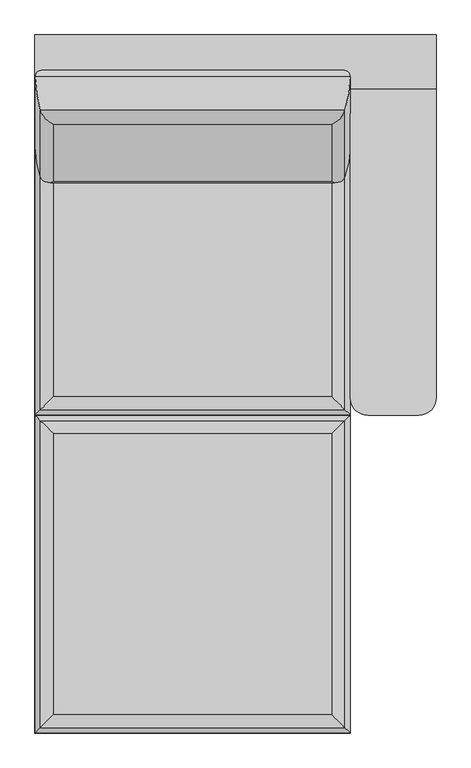
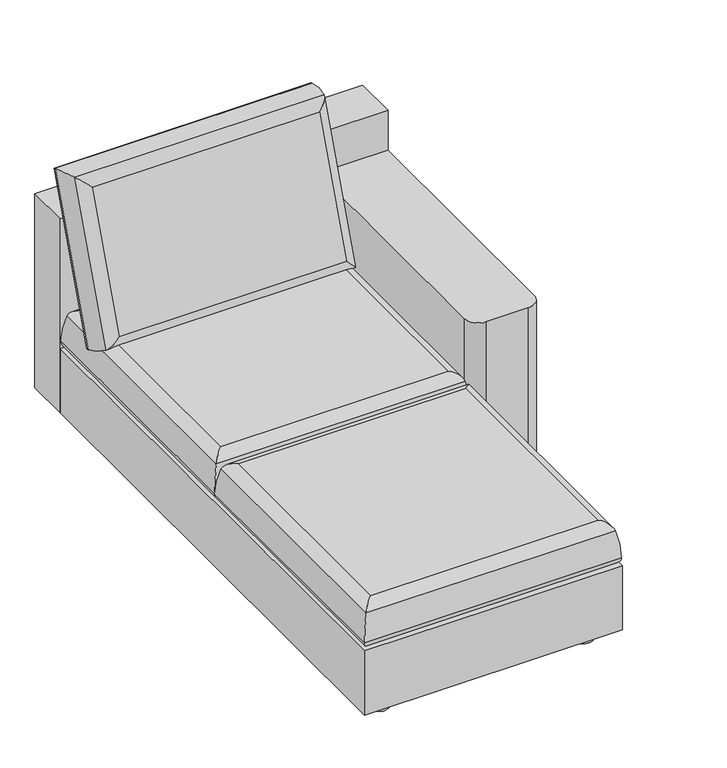
"""IFC4 building model written with IfcOpenShell, lengths in millimetres: furniture geometry."""

from ifc_helpers import new_model, si_unit, point, frame, frame_2d, origin, origin_with_axes, place, context, project, spatial, polyline, circle_curve, ellipse_curve, trimmed, segment, composite_curve, outline, extrude, source, transform, mapped, element, save
from ifc_brep_helpers import plane_surface, cylinder_surface, advanced_brep


def furniture_7a223dae(model_context):
    return source(origin(), model_context, "Body", "SolidModel", [
        advanced_brep(
        [(3120.343919, -233.5399869, 276.225), (2354.2175779, -233.5399869, 276.225), (2354.2175779, 538.9363542, 276.225), (3120.343919, 538.9363542, 276.225), (3132.7157614, 551.3081966, 389.5362358), (3099.2307485, 517.8231837, 415.925), (3099.2307485, -212.4268163, 415.925), (3132.7157614, -245.9118293, 389.5362358), (2375.3307485, -212.4268163, 415.925), (2341.8457355, -245.9118293, 389.5362358), (2375.3307485, 517.8231837, 415.925), (2341.8457355, 551.3081966, 389.5362358), (3145.7419387, -258.9380066, 301.9421647), (3145.7419387, 564.3343739, 301.9421647), (2328.8195582, -258.9380066, 301.9421647), (2328.8195582, 564.3343739, 301.9421647)],
        [
            (0, 1),
            (1, 2),
            (2, 3),
            (3, 0),
            (4, 5, ellipse_curve(frame((3097.5147056, 516.1071408, 379.3083478), z_axis=(0.7071067811865475, -0.7071067811865475, 0.0), x_axis=(0.7071067811865474, 0.7071067811865476, 0.0)), 51.8406023, 36.6568414)),
            (5, 6),
            (6, 7, ellipse_curve(frame((3097.5147056, -210.7107735, 379.3083478), z_axis=(0.7071067811865475, 0.7071067811865475, 0.0), x_axis=(-0.7071067811865474, 0.7071067811865476, 0.0)), 51.8406023, 36.6568414)),
            (7, 4),
            (6, 8),
            (8, 9, ellipse_curve(frame((2377.0467913, -210.7107735, 379.3083478), z_axis=(0.7071067811865475, -0.7071067811865475, 0.0), x_axis=(0.7071067811865476, 0.7071067811865474, 0.0)), 51.8406023, 36.6568414)),
            (9, 7),
            (8, 10),
            (10, 11, ellipse_curve(frame((2377.0467913, 516.1071408, 379.3083478), z_axis=(-0.7071067811865475, -0.7071067811865475, 0.0), x_axis=(0.7071067811865474, -0.7071067811865476, 0.0)), 51.8406023, 36.6568414)),
            (11, 9),
            (4, 11),
            (10, 5),
            (7, 12, ellipse_curve(frame((2817.121816, 69.6821162, 297.8384315), z_axis=(0.7071067811865475, 0.7071067811865475, 0.0), x_axis=(-0.7071067811865474, 0.7071067811865476, 0.0)), 464.7752698, 328.645745)),
            (12, 13),
            (13, 4, ellipse_curve(frame((2817.121816, 235.7142512, 297.8384315), z_axis=(0.7071067811865475, -0.7071067811865475, 0.0), x_axis=(0.7071067811865474, 0.7071067811865476, 0.0)), 464.7752698, 328.645745)),
            (9, 14, ellipse_curve(frame((2657.439681, 69.6821162, 297.8384315), z_axis=(0.7071067811865475, -0.7071067811865475, 0.0), x_axis=(0.7071067811865476, 0.7071067811865474, 0.0)), 464.7752698, 328.645745)),
            (14, 12),
            (11, 15, ellipse_curve(frame((2657.439681, 235.7142512, 297.8384315), z_axis=(-0.7071067811865475, -0.7071067811865475, 0.0), x_axis=(0.7071067811865474, -0.7071067811865476, 0.0)), 464.7752698, 328.645745)),
            (15, 14),
            (13, 15),
            (3, 13, ellipse_curve(frame((3120.343919, 538.9363542, 301.625), z_axis=(0.7071067811865475, -0.7071067811865475, 0.0), x_axis=(0.7071067811865474, 0.7071067811865476, 0.0)), 35.9210245, 25.4)),
            (12, 0, ellipse_curve(frame((3120.343919, -233.5399869, 301.625), z_axis=(0.7071067811865475, 0.7071067811865475, 0.0), x_axis=(-0.7071067811865474, 0.7071067811865476, 0.0)), 35.9210245, 25.4)),
            (14, 1, ellipse_curve(frame((2354.2175779, -233.5399869, 301.625), z_axis=(0.7071067811865475, -0.7071067811865475, 0.0), x_axis=(0.7071067811865476, 0.7071067811865474, 0.0)), 35.9210245, 25.4)),
            (15, 2, ellipse_curve(frame((2354.2175779, 538.9363542, 301.625), z_axis=(-0.7071067811865475, -0.7071067811865475, 0.0), x_axis=(0.7071067811865474, -0.7071067811865476, 0.0)), 35.9210245, 25.4)),
        ],
        [
            plane_surface(frame((2354.2175779, 538.9363542, 276.225), z_axis=(0.0, 0.0, -1.0), x_axis=(1.0, 0.0, 0.0))),
            cylinder_surface(frame((3097.5147056, 565.4481837, 379.3083478), z_axis=(0.0, 1.0, 0.0), x_axis=(1.0, 0.0, 0.0)), 36.6568414),
            cylinder_surface(frame((3146.8557485, -210.7107735, 379.3083478), z_axis=(1.0, 0.0, 0.0), x_axis=(0.0, -1.0, 0.0)), 36.6568414),
            cylinder_surface(frame((2377.0467913, -260.0518163, 379.3083478), z_axis=(0.0, -1.0, 0.0), x_axis=(-1.0, 0.0, 0.0)), 36.6568414),
            cylinder_surface(frame((2327.7057485, 516.1071408, 379.3083478), z_axis=(-1.0, 0.0, 0.0), x_axis=(0.0, 1.0, 0.0)), 36.6568414),
            cylinder_surface(frame((2817.121816, 565.4481837, 297.8384315), z_axis=(0.0, 1.0, 0.0), x_axis=(1.0, 0.0, 0.0)), 328.645745),
            cylinder_surface(frame((3146.8557485, 69.6821162, 297.8384315), z_axis=(1.0, 0.0, 0.0), x_axis=(0.0, -1.0, 0.0)), 328.645745),
            cylinder_surface(frame((2657.439681, -260.0518163, 297.8384315), z_axis=(0.0, -1.0, 0.0), x_axis=(-1.0, 0.0, 0.0)), 328.645745),
            cylinder_surface(frame((2327.7057485, 235.7142512, 297.8384315), z_axis=(-1.0, 0.0, 0.0), x_axis=(0.0, 1.0, 0.0)), 328.645745),
            cylinder_surface(frame((3120.343919, 565.4481837, 301.625), z_axis=(0.0, 1.0, 0.0), x_axis=(1.0, 0.0, 0.0)), 25.4),
            cylinder_surface(frame((3146.8557485, -233.5399869, 301.625), z_axis=(1.0, 0.0, 0.0), x_axis=(0.0, -1.0, 0.0)), 25.4),
            cylinder_surface(frame((2354.2175779, -260.0518163, 301.625), z_axis=(0.0, -1.0, 0.0), x_axis=(-1.0, 0.0, 0.0)), 25.4),
            cylinder_surface(frame((2327.7057485, 538.9363542, 301.625), z_axis=(-1.0, 0.0, 0.0), x_axis=(0.0, 1.0, 0.0)), 25.4),
            plane_surface(frame((2375.3307485, 517.8231837, 415.925), z_axis=(0.0, 0.0, 1.0), x_axis=(-1.0, 0.0, 0.0))),
        ],
        [
            (0, [[1, 2, 3, 4]]),
            (1, [[5, 6, 7, 8]]),
            (2, [[-7, 9, 10, 11]]),
            (3, [[-10, 12, 13, 14]]),
            (4, [[-5, 15, -13, 16]]),
            (5, [[-8, 17, 18, 19]]),
            (6, [[-11, 20, 21, -17]]),
            (7, [[-14, 22, 23, -20]]),
            (8, [[-15, -19, 24, -22]]),
            (9, [[-4, 25, -18, 26]]),
            (10, [[-1, -26, -21, 27]]),
            (11, [[-2, -27, -23, 28]]),
            (12, [[-3, -28, -24, -25]]),
            (13, [[-6, -16, -12, -9]]),
        ],
    ),
        extrude(outline(composite_curve([segment(polyline([(3369.1057485, 1412.7926138), (3369.1057485, 609.5176138)]), True, "CONTINUOUS"), segment(trimmed(circle_curve(frame_2d((3324.6557485, 609.5176138)), 44.45), [point((3369.1057485, 609.5176138))], [point((3324.6557485, 565.0676138))], False, "CARTESIAN"), True, "CONTINUOUS"), segment(polyline([(3324.6557485, 565.0676138), (3191.3057485, 565.0676138)]), True, "CONTINUOUS"), segment(trimmed(circle_curve(frame_2d((3191.3057485, 609.5176138)), 44.45), [point((3191.3057485, 565.0676138))], [point((3146.8557485, 609.5176138))], False, "CARTESIAN"), True, "CONTINUOUS"), segment(polyline([(3146.8557485, 609.5176138), (3146.8557485, 1412.7926138), (3369.1057485, 1412.7926138)]), True, "CONTINUOUS")], self_intersect=False)), frame((0.0, 0.0, 60.325), z_axis=(0.0, 0.0, 1.0), x_axis=(1.0, 0.0, 0.0)), (0.0, 0.0, 1.0), 517.525),
        extrude(outline(composite_curve([segment(trimmed(circle_curve(frame_2d((2848.7295236, -11164.1120182)), 12727.0721967), [point((2327.7057485, 1552.2908114))], [point((3369.1057485, 1552.3173267))], False, "CARTESIAN"), True, "CONTINUOUS"), segment(polyline([(3369.1057485, 1552.3173267), (3369.1057485, 1413.1731837), (2327.7057485, 1413.1731837), (2327.7057485, 1552.2908114)]), True, "CONTINUOUS")], self_intersect=False)), frame((0.0, 0.0, 60.325), z_axis=(0.0, 0.0, 1.0), x_axis=(1.0, 0.0, 0.0)), (0.0, 0.0, 1.0), 650.875),
        advanced_brep(
        [(3120.343919, 1294.7666183, 377.9035736), (2354.2175779, 1294.7666183, 377.9035736), (2354.2175779, 1459.0650033, 829.3096765), (3120.343919, 1459.0650033, 829.3096765), (3132.7157614, 1356.8186905, 879.6901306), (3099.2307485, 1320.5688146, 857.25), (3099.2307485, 1170.7126888, 445.5236782), (3132.7157614, 1184.0574669, 405.0325697), (2375.3307485, 1170.7126888, 445.5236782), (2341.8457355, 1184.0574669, 405.0325697), (2375.3307485, 1320.5688146, 857.25), (2341.8457355, 1356.8186905, 879.6901306), (3145.7419387, 1261.9137541, 362.8330302), (3145.7419387, 1443.5854078, 861.9717966), (2328.8195582, 1261.9137541, 362.8330302), (2328.8195582, 1443.5854078, 861.9717966)],
        [
            (0, 1),
            (1, 2),
            (2, 3),
            (3, 0),
            (4, 5, ellipse_curve(frame((3097.5147056, 1354.3902913, 843.1138145), z_axis=(0.7071067811865477, -0.24184476264798005, -0.6644630243886728), x_axis=(0.7071067811865474, 0.24184476264798002, 0.664463024388673)), 51.8406023, 36.6568414)),
            (5, 6),
            (6, 7, ellipse_curve(frame((3097.5147056, 1205.7080079, 434.6125984), z_axis=(0.7071067811865472, 0.24184476264798022, 0.6644630243886732), x_axis=(-0.7071067811865479, 0.2418447626479799, 0.6644630243886727)), 51.8406023, 36.6568414)),
            (7, 4),
            (6, 8),
            (8, 9, ellipse_curve(frame((2377.0467913, 1205.7080079, 434.6125984), z_axis=(0.7071067811865477, -0.24184476264797994, -0.6644630243886728), x_axis=(0.7071067811865474, 0.24184476264798013, 0.6644630243886731)), 51.8406023, 36.6568414)),
            (9, 7),
            (8, 10),
            (10, 11, ellipse_curve(frame((2377.0467913, 1354.3902913, 843.1138145), z_axis=(-0.7071067811865474, -0.24184476264798002, -0.6644630243886731), x_axis=(0.7071067811865476, -0.24184476264798002, -0.6644630243886728)), 51.8406023, 36.6568414)),
            (11, 9),
            (4, 11),
            (10, 5),
            (7, 12, ellipse_curve(frame((2817.121816, 1378.1647034, 670.2313752), z_axis=(0.7071067811865472, 0.24184476264798022, 0.6644630243886732), x_axis=(-0.7071067811865479, 0.2418447626479799, 0.6644630243886727)), 464.7752698, 328.645745)),
            (12, 13),
            (13, 4, ellipse_curve(frame((2817.121816, 1335.0469541, 551.7663328), z_axis=(0.7071067811865477, -0.24184476264798005, -0.6644630243886728), x_axis=(0.7071067811865474, 0.24184476264798002, 0.664463024388673)), 464.7752698, 328.645745)),
            (9, 14, ellipse_curve(frame((2657.439681, 1378.1647034, 670.2313752), z_axis=(0.7071067811865477, -0.24184476264797994, -0.6644630243886728), x_axis=(0.7071067811865474, 0.24184476264798013, 0.6644630243886731)), 464.7752698, 328.645745)),
            (14, 12),
            (11, 15, ellipse_curve(frame((2657.439681, 1335.0469541, 551.7663328), z_axis=(-0.7071067811865474, -0.24184476264798002, -0.6644630243886731), x_axis=(0.7071067811865476, -0.24184476264798002, -0.6644630243886728)), 464.7752698, 328.645745)),
            (15, 14),
            (13, 15),
            (3, 13, ellipse_curve(frame((3120.343919, 1435.1968108, 837.9969882), z_axis=(0.7071067811865477, -0.24184476264798005, -0.6644630243886728), x_axis=(0.7071067811865474, 0.24184476264798002, 0.664463024388673)), 35.9210245, 25.4)),
            (12, 0, ellipse_curve(frame((3120.343919, 1270.8984257, 386.5908853), z_axis=(0.7071067811865472, 0.24184476264798022, 0.6644630243886732), x_axis=(-0.7071067811865479, 0.2418447626479799, 0.6644630243886727)), 35.9210245, 25.4)),
            (14, 1, ellipse_curve(frame((2354.2175779, 1270.8984257, 386.5908853), z_axis=(0.7071067811865477, -0.24184476264797994, -0.6644630243886728), x_axis=(0.7071067811865474, 0.24184476264798013, 0.6644630243886731)), 35.9210245, 25.4)),
            (15, 2, ellipse_curve(frame((2354.2175779, 1435.1968108, 837.9969882), z_axis=(-0.7071067811865474, -0.24184476264798002, -0.6644630243886731), x_axis=(0.7071067811865476, -0.24184476264798002, -0.6644630243886728)), 35.9210245, 25.4)),
        ],
        [
            plane_surface(frame((2354.2175779, 1459.0650033, 829.3096765), z_axis=(0.0, 0.939692620785906, -0.34202014332567565), x_axis=(1.0, 0.0, 0.0))),
            cylinder_surface(frame((3097.5147056, 1371.2659218, 889.4792284), z_axis=(0.0, 0.34202014332567554, 0.9396926207859059), x_axis=(1.0, 0.0, 0.0)), 36.6568414),
            cylinder_surface(frame((3146.8557485, 1205.7080079, 434.6125984), z_axis=(1.0, 0.0, 0.0), x_axis=(0.0, -0.3420201433256756, -0.939692620785906)), 36.6568414),
            cylinder_surface(frame((2377.0467913, 1188.8323774, 388.2471845), z_axis=(0.0, -0.3420201433256755, -0.939692620785906), x_axis=(-1.0, 0.0, 0.0)), 36.6568414),
            cylinder_surface(frame((2327.7057485, 1354.3902913, 843.1138145), z_axis=(-1.0, 0.0, 0.0), x_axis=(0.0, 0.3420201433256756, 0.939692620785906)), 36.6568414),
            cylinder_surface(frame((2817.121816, 1447.822601, 861.614876), z_axis=(0.0, 0.34202014332567554, 0.9396926207859059), x_axis=(1.0, 0.0, 0.0)), 328.645745),
            cylinder_surface(frame((3146.8557485, 1378.1647034, 670.2313752), z_axis=(1.0, 0.0, 0.0), x_axis=(0.0, -0.3420201433256756, -0.939692620785906)), 328.645745),
            cylinder_surface(frame((2657.439681, 1265.3890566, 360.382832), z_axis=(0.0, -0.3420201433256755, -0.939692620785906), x_axis=(-1.0, 0.0, 0.0)), 328.645745),
            cylinder_surface(frame((2327.7057485, 1335.0469541, 551.7663328), z_axis=(-1.0, 0.0, 0.0), x_axis=(0.0, 0.3420201433256756, 0.939692620785906)), 328.645745),
            cylinder_surface(frame((3120.343919, 1444.2643905, 862.9099587), z_axis=(0.0, 0.34202014332567554, 0.9396926207859059), x_axis=(1.0, 0.0, 0.0)), 25.4),
            cylinder_surface(frame((3146.8557485, 1270.8984257, 386.5908853), z_axis=(1.0, 0.0, 0.0), x_axis=(0.0, -0.3420201433256756, -0.939692620785906)), 25.4),
            cylinder_surface(frame((2354.2175779, 1261.830846, 361.6779148), z_axis=(0.0, -0.3420201433256755, -0.939692620785906), x_axis=(-1.0, 0.0, 0.0)), 25.4),
            cylinder_surface(frame((2327.7057485, 1435.1968108, 837.9969882), z_axis=(-1.0, 0.0, 0.0), x_axis=(0.0, 0.3420201433256756, 0.939692620785906)), 25.4),
            plane_surface(frame((2375.3307485, 1320.5688146, 857.25), z_axis=(0.0, -0.939692620785906, 0.3420201433256756), x_axis=(-1.0, 0.0, 0.0))),
        ],
        [
            (0, [[1, 2, 3, 4]]),
            (1, [[5, 6, 7, 8]]),
            (2, [[-7, 9, 10, 11]]),
            (3, [[-10, 12, 13, 14]]),
            (4, [[-5, 15, -13, 16]]),
            (5, [[-8, 17, 18, 19]]),
            (6, [[-11, 20, 21, -17]]),
            (7, [[-14, 22, 23, -20]]),
            (8, [[-15, -19, 24, -22]]),
            (9, [[-4, 25, -18, 26]]),
            (10, [[-1, -26, -21, 27]]),
            (11, [[-2, -27, -23, 28]]),
            (12, [[-3, -28, -24, -25]]),
            (13, [[-6, -16, -12, -9]]),
        ],
    ),
        advanced_brep(
        [(3120.343919, 591.5794432, 276.225), (2354.2175779, 591.5794432, 276.225), (2354.2175779, 1386.2807843, 276.225), (3120.343919, 1386.2807843, 276.225), (3132.7157614, 1398.6526267, 389.5362358), (3099.2307485, 1365.1676138, 415.925), (3099.2307485, 612.6926138, 415.925), (3132.7157614, 579.2076008, 389.5362358), (2375.3307485, 612.6926138, 415.925), (2341.8457355, 579.2076008, 389.5362358), (2375.3307485, 1365.1676138, 415.925), (2341.8457355, 1398.6526267, 389.5362358), (3145.7419387, 566.1814235, 301.9421647), (3145.7419387, 1411.6788041, 301.9421647), (2328.8195582, 566.1814235, 301.9421647), (2328.8195582, 1411.6788041, 301.9421647)],
        [
            (0, 1),
            (1, 2),
            (2, 3),
            (3, 0),
            (4, 5, ellipse_curve(frame((3097.5147056, 1363.4515709, 379.3083478), z_axis=(0.7071067811865475, -0.7071067811865475, 0.0), x_axis=(0.7071067811865474, 0.7071067811865476, 0.0)), 51.8406023, 36.6568414)),
            (5, 6),
            (6, 7, ellipse_curve(frame((3097.5147056, 614.4086566, 379.3083478), z_axis=(0.7071067811865475, 0.7071067811865475, 0.0), x_axis=(-0.7071067811865474, 0.7071067811865476, 0.0)), 51.8406023, 36.6568414)),
            (7, 4),
            (6, 8),
            (8, 9, ellipse_curve(frame((2377.0467913, 614.4086566, 379.3083478), z_axis=(0.7071067811865475, -0.7071067811865475, 0.0), x_axis=(0.7071067811865476, 0.7071067811865474, 0.0)), 51.8406023, 36.6568414)),
            (9, 7),
            (8, 10),
            (10, 11, ellipse_curve(frame((2377.0467913, 1363.4515709, 379.3083478), z_axis=(-0.7071067811865475, -0.7071067811865475, 0.0), x_axis=(0.7071067811865474, -0.7071067811865476, 0.0)), 51.8406023, 36.6568414)),
            (11, 9),
            (4, 11),
            (10, 5),
            (7, 12, ellipse_curve(frame((2817.121816, 894.8015463, 297.8384315), z_axis=(0.7071067811865475, 0.7071067811865475, 0.0), x_axis=(-0.7071067811865474, 0.7071067811865476, 0.0)), 464.7752698, 328.645745)),
            (12, 13),
            (13, 4, ellipse_curve(frame((2817.121816, 1083.0586813, 297.8384315), z_axis=(0.7071067811865475, -0.7071067811865475, 0.0), x_axis=(0.7071067811865474, 0.7071067811865476, 0.0)), 464.7752698, 328.645745)),
            (9, 14, ellipse_curve(frame((2657.439681, 894.8015463, 297.8384315), z_axis=(0.7071067811865475, -0.7071067811865475, 0.0), x_axis=(0.7071067811865476, 0.7071067811865474, 0.0)), 464.7752698, 328.645745)),
            (14, 12),
            (11, 15, ellipse_curve(frame((2657.439681, 1083.0586813, 297.8384315), z_axis=(-0.7071067811865475, -0.7071067811865475, 0.0), x_axis=(0.7071067811865474, -0.7071067811865476, 0.0)), 464.7752698, 328.645745)),
            (15, 14),
            (13, 15),
            (3, 13, ellipse_curve(frame((3120.343919, 1386.2807843, 301.625), z_axis=(0.7071067811865475, -0.7071067811865475, 0.0), x_axis=(0.7071067811865474, 0.7071067811865476, 0.0)), 35.9210245, 25.4)),
            (12, 0, ellipse_curve(frame((3120.343919, 591.5794432, 301.625), z_axis=(0.7071067811865475, 0.7071067811865475, 0.0), x_axis=(-0.7071067811865474, 0.7071067811865476, 0.0)), 35.9210245, 25.4)),
            (14, 1, ellipse_curve(frame((2354.2175779, 591.5794432, 301.625), z_axis=(0.7071067811865475, -0.7071067811865475, 0.0), x_axis=(0.7071067811865476, 0.7071067811865474, 0.0)), 35.9210245, 25.4)),
            (15, 2, ellipse_curve(frame((2354.2175779, 1386.2807843, 301.625), z_axis=(-0.7071067811865475, -0.7071067811865475, 0.0), x_axis=(0.7071067811865474, -0.7071067811865476, 0.0)), 35.9210245, 25.4)),
        ],
        [
            plane_surface(frame((2354.2175779, 1386.2807843, 276.225), z_axis=(0.0, 0.0, -1.0), x_axis=(1.0, 0.0, 0.0))),
            cylinder_surface(frame((3097.5147056, 1412.7926138, 379.3083478), z_axis=(0.0, 1.0, 0.0), x_axis=(1.0, 0.0, 0.0)), 36.6568414),
            cylinder_surface(frame((3146.8557485, 614.4086566, 379.3083478), z_axis=(1.0, 0.0, 0.0), x_axis=(0.0, -1.0, 0.0)), 36.6568414),
            cylinder_surface(frame((2377.0467913, 565.0676138, 379.3083478), z_axis=(0.0, -1.0, 0.0), x_axis=(-1.0, 0.0, 0.0)), 36.6568414),
            cylinder_surface(frame((2327.7057485, 1363.4515709, 379.3083478), z_axis=(-1.0, 0.0, 0.0), x_axis=(0.0, 1.0, 0.0)), 36.6568414),
            cylinder_surface(frame((2817.121816, 1412.7926138, 297.8384315), z_axis=(0.0, 1.0, 0.0), x_axis=(1.0, 0.0, 0.0)), 328.645745),
            cylinder_surface(frame((3146.8557485, 894.8015463, 297.8384315), z_axis=(1.0, 0.0, 0.0), x_axis=(0.0, -1.0, 0.0)), 328.645745),
            cylinder_surface(frame((2657.439681, 565.0676138, 297.8384315), z_axis=(0.0, -1.0, 0.0), x_axis=(-1.0, 0.0, 0.0)), 328.645745),
            cylinder_surface(frame((2327.7057485, 1083.0586813, 297.8384315), z_axis=(-1.0, 0.0, 0.0), x_axis=(0.0, 1.0, 0.0)), 328.645745),
            cylinder_surface(frame((3120.343919, 1412.7926138, 301.625), z_axis=(0.0, 1.0, 0.0), x_axis=(1.0, 0.0, 0.0)), 25.4),
            cylinder_surface(frame((3146.8557485, 591.5794432, 301.625), z_axis=(1.0, 0.0, 0.0), x_axis=(0.0, -1.0, 0.0)), 25.4),
            cylinder_surface(frame((2354.2175779, 565.0676138, 301.625), z_axis=(0.0, -1.0, 0.0), x_axis=(-1.0, 0.0, 0.0)), 25.4),
            cylinder_surface(frame((2327.7057485, 1386.2807843, 301.625), z_axis=(-1.0, 0.0, 0.0), x_axis=(0.0, 1.0, 0.0)), 25.4),
            plane_surface(frame((2375.3307485, 1365.1676138, 415.925), z_axis=(0.0, 0.0, 1.0), x_axis=(-1.0, 0.0, 0.0))),
        ],
        [
            (0, [[1, 2, 3, 4]]),
            (1, [[5, 6, 7, 8]]),
            (2, [[-7, 9, 10, 11]]),
            (3, [[-10, 12, 13, 14]]),
            (4, [[-5, 15, -13, 16]]),
            (5, [[-8, 17, 18, 19]]),
            (6, [[-11, 20, 21, -17]]),
            (7, [[-14, 22, 23, -20]]),
            (8, [[-15, -19, 24, -22]]),
            (9, [[-4, 25, -18, 26]]),
            (10, [[-1, -26, -21, 27]]),
            (11, [[-2, -27, -23, 28]]),
            (12, [[-3, -28, -24, -25]]),
            (13, [[-6, -16, -12, -9]]),
        ],
    ),
        extrude(outline(polyline([(2457.5257714, 1412.7926138), (2457.5257714, 1267.3488025), (2400.775747, 1267.3488025), (2400.775747, 1412.7926138), (2457.5257714, 1412.7926138)])), origin_with_axes(), (0.0, 0.0, 1.0), 60.325),
        extrude(outline(composite_curve([segment(trimmed(circle_curve(frame_2d((2429.1431046, -163.1615472)), 31.75), [point((2460.8931046, -163.1615472))], [point((2397.3931046, -163.1615472))], False, "CARTESIAN"), True, "CONTINUOUS"), segment(trimmed(circle_curve(frame_2d((2429.1431046, -163.1615472)), 31.75), [point((2397.3931046, -163.1615472))], [point((2460.8931046, -163.1615472))], False, "CARTESIAN"), True, "CONTINUOUS")], self_intersect=False)), origin_with_axes(), (0.0, 0.0, 1.0), 60.325),
        extrude(outline(composite_curve([segment(trimmed(circle_curve(frame_2d((3077.8079186, -163.2617509)), 31.75), [point((3109.5579186, -163.2617509))], [point((3046.0579186, -163.2617509))], False, "CARTESIAN"), True, "CONTINUOUS"), segment(trimmed(circle_curve(frame_2d((3077.8079186, -163.2617509)), 31.75), [point((3046.0579186, -163.2617509))], [point((3109.5579186, -163.2617509))], False, "CARTESIAN"), True, "CONTINUOUS")], self_intersect=False)), origin_with_axes(), (0.0, 0.0, 1.0), 60.325),
        extrude(outline(polyline([(3051.2378976, 1412.7926138), (3107.9879221, 1412.7926138), (3107.9879221, 1267.3488025), (3051.2378976, 1267.3488025), (3051.2378976, 1412.7926138)])), origin_with_axes(), (0.0, 0.0, 1.0), 60.325),
        extrude(outline(composite_curve([segment(trimmed(circle_curve(frame_2d((2752.4783282, 565.5225131)), 31.75), [point((2784.2283282, 565.5225131))], [point((2720.7283282, 565.5225131))], False, "CARTESIAN"), True, "CONTINUOUS"), segment(trimmed(circle_curve(frame_2d((2752.4783282, 565.5225131)), 31.75), [point((2720.7283282, 565.5225131))], [point((2784.2283282, 565.5225131))], False, "CARTESIAN"), True, "CONTINUOUS")], self_intersect=False)), origin_with_axes(), (0.0, 0.0, 1.0), 60.325),
        extrude(outline(polyline([(3146.8557485, 1412.7926138), (3146.8557485, -260.0518163), (2327.7057485, -260.0518163), (2327.7057485, 1412.7926138), (3146.8557485, 1412.7926138)])), frame((0.0, 0.0, 60.325), z_axis=(0.0, 0.0, 1.0), x_axis=(1.0, 0.0, 0.0)), (0.0, 0.0, 1.0), 215.3674095),
    ])


if __name__ == "__main__":
    model = new_model("IFC4")
    model_context = context("Model", 3, world=origin())
    ifc_project = project(units=[si_unit("LENGTHUNIT", "METRE", prefix="MILLI")], contexts=[model_context])
    site = spatial("IfcSite", under=ifc_project)
    building = spatial("IfcBuilding", under=site)
    placement = place(None, origin())
    furniture_shape = furniture_7a223dae(model_context)
    element("IfcFurniture", 1, at=placement, inside=building, context=model_context, shape_type="MappedRepresentation", body=[
        mapped(furniture_shape, transform((0.0, 0.0, 0.0), x_axis=(1.0, 0.0, 0.0), y_axis=(0.0, 1.0, 0.0), z_axis=(0.0, 0.0, 1.0))),
    ])
    save(model, "model.ifc")
